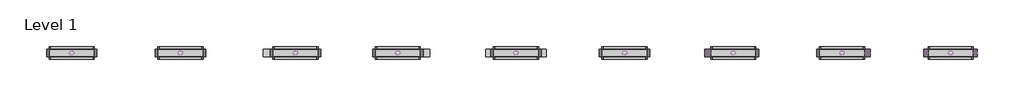
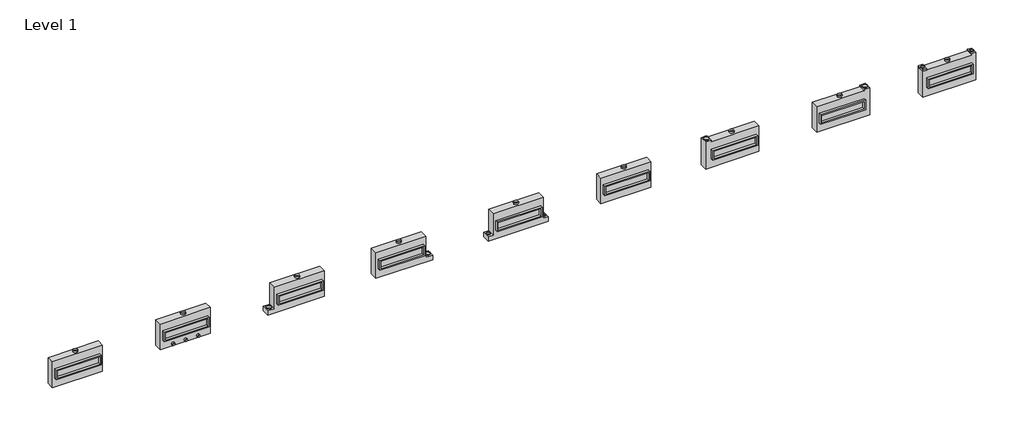
# One storey: 35 proxies.
"""IFC4 building model written with IfcOpenShell, lengths in millimetres."""

import ifcopenshell
import ifcopenshell.guid

model = None  # the IFC model being written
_history = None  # IfcOwnerHistory: only IFC2X3 demands one
_inside = {}  # id of a spatial element -> (the spatial element, [elements in it])
_under = {}  # id of a project, library or spatial element -> (it, [spatial elements below it])
_declared = {}  # id of a project -> (the project, [libraries it declares])
_typed = {}  # id of a type object -> (the type object, [elements of that type])
_made_of = {}  # id of a material, layer set ... -> (it, [elements and type objects made of it])


def new_model(schema):
    """Start an empty IFC model of exactly this schema.

    Asked for "IFC4X3", IfcOpenShell would pick the latest addendum, in which some entities
    have other attributes; the version numbers below select the first issue.
    IFC2X3 requires an IfcOwnerHistory on every rooted entity: one is made here for all.
    """
    global model, _history
    if schema == "IFC4X3":
        model = ifcopenshell.file(schema_version=(4, 3, 0, 0))
    else:
        model = ifcopenshell.file(schema=schema)
    _inside.clear()
    _under.clear()
    _declared.clear()
    _typed.clear()
    _made_of.clear()
    _history = None
    if model.schema == "IFC2X3":
        org = make("IfcOrganization", Name="unknown")
        user = make(
            "IfcPersonAndOrganization",
            ThePerson=make("IfcPerson", FamilyName="unknown"),
            TheOrganization=org,
        )
        app = make(
            "IfcApplication",
            ApplicationDeveloper=org,
            Version="unknown",
            ApplicationFullName="unknown",
            ApplicationIdentifier="unknown",
        )
        _history = make(
            "IfcOwnerHistory",
            OwningUser=user,
            OwningApplication=app,
            ChangeAction="ADDED",
            CreationDate=0,
        )
    return model


def make(cls, **values):
    """One entity of the class cls with the attributes given. An attribute that is None is left unset."""
    return model.create_entity(
        cls, **{name: value for name, value in values.items() if value is not None}
    )


def rooted(cls, **values):
    """An entity with a GlobalId (a new one), such as an element, a storey or a relation."""
    return make(cls, GlobalId=ifcopenshell.guid.new(), OwnerHistory=_history, **values)


def si_unit(unit_type, name, prefix=None):
    """IfcSIUnit, for example si_unit("LENGTHUNIT", "METRE", prefix="MILLI")."""
    return make("IfcSIUnit", UnitType=unit_type, Prefix=prefix, Name=name)


def assignment(units):
    """IfcUnitAssignment: the units of a project."""
    return None if units is None else make("IfcUnitAssignment", Units=units)


def point(xyz):
    """IfcCartesianPoint."""
    return None if xyz is None else make("IfcCartesianPoint", Coordinates=xyz)


def direction(xyz):
    """IfcDirection."""
    return None if xyz is None else make("IfcDirection", DirectionRatios=xyz)


def frame(location, z_axis=None, x_axis=None):
    """IfcAxis2Placement3D, a coordinate frame: its origin and axes. An axis left out is left unset."""
    return make(
        "IfcAxis2Placement3D",
        Location=point(location),
        Axis=direction(z_axis),
        RefDirection=direction(x_axis),
    )


def frame_2d(location, x_axis=None):
    """IfcAxis2Placement2D, a coordinate frame in the plane: its origin and x axis."""
    return make(
        "IfcAxis2Placement2D", Location=point(location), RefDirection=direction(x_axis)
    )


def origin():
    """The frame at (0, 0, 0) with its axes left unset."""
    return frame((0.0, 0.0, 0.0))


def origin_with_axes():
    """The frame at (0, 0, 0) with the z axis (0, 0, 1) and the x axis (1, 0, 0) written out."""
    return frame((0.0, 0.0, 0.0), z_axis=(0.0, 0.0, 1.0), x_axis=(1.0, 0.0, 0.0))


def origin_2d():
    """The frame at (0, 0) in the plane with its x axis left unset."""
    return frame_2d((0.0, 0.0))


def place(relative_to, where):
    """IfcLocalPlacement: puts the frame where relative to a parent placement (None: the world)."""
    return make(
        "IfcLocalPlacement", PlacementRelTo=relative_to, RelativePlacement=where
    )


def context(
    kind, dimensions, precision=None, world=None, true_north=None, identifier=None
):
    """IfcGeometricRepresentationContext, for example the 3D "Model" context."""
    return make(
        "IfcGeometricRepresentationContext",
        ContextIdentifier=identifier,
        ContextType=kind,
        CoordinateSpaceDimension=dimensions,
        Precision=precision,
        WorldCoordinateSystem=world,
        TrueNorth=true_north,
    )


def project(units=None, contexts=None):
    """IfcProject with its units and contexts."""
    return rooted(
        "IfcProject",
        Name="project",
        RepresentationContexts=contexts,
        UnitsInContext=assignment(units),
    )


def spatial(cls, under=None, at=None, **own):
    """A site, building, storey or space (cls), placed at a placement, below another one or the project."""
    s = rooted(cls, ObjectPlacement=at, **own)
    if under is not None:
        _under.setdefault(under.id(), (under, []))[1].append(s)
    return s


def polyline(points):
    """IfcPolyline through the points."""
    return make("IfcPolyline", Points=[point(p) for p in points])


def circle_curve(where, radius):
    """IfcCircle in the frame where."""
    return make("IfcCircle", Position=where, Radius=radius)


def trimmed(basis, trim1, trim2, sense, master):
    """IfcTrimmedCurve: the piece of a basis curve between two trims."""
    return make(
        "IfcTrimmedCurve",
        BasisCurve=basis,
        Trim1=trim1,
        Trim2=trim2,
        SenseAgreement=sense,
        MasterRepresentation=master,
    )


def segment(curve, same_sense, transition):
    """IfcCompositeCurveSegment."""
    return make(
        "IfcCompositeCurveSegment",
        Transition=transition,
        SameSense=same_sense,
        ParentCurve=curve,
    )


def composite_curve(segments, self_intersect=None):
    """IfcCompositeCurve: segments joined end to end."""
    return make("IfcCompositeCurve", Segments=segments, SelfIntersect=self_intersect)


def outline(outer, holes=None, kind="AREA"):
    """IfcArbitraryClosedProfileDef: a profile drawn as a closed curve; with holes, ...WithVoids."""
    if holes is None:
        return make("IfcArbitraryClosedProfileDef", ProfileType=kind, OuterCurve=outer)
    return make(
        "IfcArbitraryProfileDefWithVoids",
        ProfileType=kind,
        OuterCurve=outer,
        InnerCurves=holes,
    )


def extrude(swept, where, along, depth):
    """IfcExtrudedAreaSolid: the profile swept, set in the frame where, extruded along a direction by depth."""
    return make(
        "IfcExtrudedAreaSolid",
        SweptArea=swept,
        Position=where,
        ExtrudedDirection=direction(along),
        Depth=depth,
    )


def shape(context_of_items, identifier, shape_type, items):
    """IfcShapeRepresentation: the items that make up one representation, for example the "Body"."""
    return make(
        "IfcShapeRepresentation",
        ContextOfItems=context_of_items,
        RepresentationIdentifier=identifier,
        RepresentationType=shape_type,
        Items=items,
    )


def source(mapping_origin, context_of_items, identifier, shape_type, items):
    """IfcRepresentationMap: a shape defined once, which mapped items show again and again."""
    return make(
        "IfcRepresentationMap",
        MappingOrigin=mapping_origin,
        MappedRepresentation=shape(context_of_items, identifier, shape_type, items),
    )


def transform(
    local_origin,
    x_axis=None,
    y_axis=None,
    z_axis=None,
    scale=None,
    scale2=None,
    scale3=None,
    uniform=True,
):
    """IfcCartesianTransformationOperator3D, or its non-uniform kind. x_axis, y_axis, z_axis: its Axis1, 2, 3."""
    if uniform:
        return make(
            "IfcCartesianTransformationOperator3D",
            Axis1=direction(x_axis),
            Axis2=direction(y_axis),
            LocalOrigin=point(local_origin),
            Scale=scale,
            Axis3=direction(z_axis),
        )
    return make(
        "IfcCartesianTransformationOperator3DnonUniform",
        Axis1=direction(x_axis),
        Axis2=direction(y_axis),
        LocalOrigin=point(local_origin),
        Scale=scale,
        Axis3=direction(z_axis),
        Scale2=scale2,
        Scale3=scale3,
    )


def mapped(mapping_source, mapping_target):
    """IfcMappedItem: shows the shape of a source again, moved by a transform."""
    return make(
        "IfcMappedItem", MappingSource=mapping_source, MappingTarget=mapping_target
    )


def made_of(thing, what):
    """Note that an element or type object is made of a material, layer set ...; save() writes the relation."""
    if what is not None:
        _made_of.setdefault(what.id(), (what, []))[1].append(thing)
    return thing


def element(
    cls,
    number,
    at=None,
    inside=None,
    cuts=None,
    type_object=None,
    material=None,
    context=None,
    identifier="Body",
    shape_type=None,
    held_by="IfcProductDefinitionShape",
    body=None,
    shapes=None,
    **own,
):
    """One element of the class cls, such as IfcWall. Its Tag is "e" and its number.

    at: its placement. inside: the storey or other place that contains it. cuts: it is an
    opening in that element (IfcRelVoidsElement). A single representation is given by context,
    identifier, shape_type and body (its items); several are given by shapes. held_by: the class
    of the entity that holds the representations. save() writes the other relations.
    """
    e = rooted(cls, Tag="e%d" % number, ObjectPlacement=at, **own)
    if body is not None:
        shapes = [shape(context, identifier, shape_type, body)]
    if shapes is not None:
        e.Representation = make(held_by, Representations=shapes)
    if inside is not None:
        _inside.setdefault(inside.id(), (inside, []))[1].append(e)
    if cuts is not None:
        rooted(
            "IfcRelVoidsElement", RelatingBuildingElement=cuts, RelatedOpeningElement=e
        )
    if type_object is not None:
        _typed.setdefault(type_object.id(), (type_object, []))[1].append(e)
    return made_of(e, material)


def aggregate(whole, parts):
    """IfcRelAggregates: a whole, such as a stair, and the parts it consists of."""
    return rooted("IfcRelAggregates", RelatingObject=whole, RelatedObjects=parts)


def save(model, path):
    """Write the relations noted so far, then the file.

    IfcRelAggregates (storeys below a building ...), IfcRelContainedInSpatialStructure (elements
    in a storey), IfcRelDefinesByType, IfcRelAssociatesMaterial and IfcRelDeclares: one each for
    every whole, place, type object, material and project.
    """
    for whole, parts in _under.values():
        aggregate(whole, parts)
    for where, things in _inside.values():
        rooted(
            "IfcRelContainedInSpatialStructure",
            RelatedElements=things,
            RelatingStructure=where,
        )
    for kind, things in _typed.values():
        rooted("IfcRelDefinesByType", RelatedObjects=things, RelatingType=kind)
    for what, things in _made_of.values():
        rooted("IfcRelAssociatesMaterial", RelatedObjects=things, RelatingMaterial=what)
    for by, libraries in _declared.values():
        rooted("IfcRelDeclares", RelatingContext=by, RelatedDefinitions=libraries)
    model.write(path)


def as_specified_41d9d4aa(model_context):
    return source(origin(), model_context, "Body", "SweptSolid", [
        extrude(outline(polyline([(1460.5, 361.95), (1460.5, -298.45), (-1460.5, -298.45), (-1460.5, 361.95), (1460.5, 361.95)]), holes=[polyline([(1371.6, 285.75), (-1371.6, 285.75), (-1371.6, -222.25), (1371.6, -222.25), (1371.6, 285.75)])]), frame((0.0, 0.0, -688.975), z_axis=(0.0, 0.0, 1.0), x_axis=(1.0, 0.0, 0.0)), (0.0, 0.0, 1.0), 165.1),
        extrude(outline(polyline([(1460.5, 361.95), (1460.5, -298.45), (-1460.5, -298.45), (-1460.5, 361.95), (1460.5, 361.95)]), holes=[polyline([(1371.6, 285.75), (-1371.6, 285.75), (-1371.6, -222.25), (1371.6, -222.25), (1371.6, 285.75)])]), frame((0.0, 0.0, -25.4), z_axis=(0.0, 0.0, 1.0), x_axis=(1.0, 0.0, 0.0)), (0.0, 0.0, 1.0), 165.1),
        extrude(outline(polyline([(1371.6, 285.75), (1371.6, -222.25), (-1371.6, -222.25), (-1371.6, 285.75), (1371.6, 285.75)])), frame((0.0, 0.0, -523.875), z_axis=(0.0, 0.0, 1.0), x_axis=(1.0, 0.0, 0.0)), (0.0, 0.0, 1.0), 4.9609375),
        extrude(outline(polyline([(1371.6, 285.75), (1371.6, -222.25), (-1371.6, -222.25), (-1371.6, 285.75), (1371.6, 285.75)])), frame((0.0, 0.0, -30.3609375), z_axis=(0.0, 0.0, 1.0), x_axis=(1.0, 0.0, 0.0)), (0.0, 0.0, 1.0), 4.9609375),
        extrude(outline(polyline([(1828.8, -882.65), (-1625.6, -882.65), (-1625.6, 882.65), (1460.5, 882.65), (1460.5, 984.25), (1828.8, 984.25), (1828.8, -882.65)]), holes=[polyline([(-1460.5, 361.95), (-1460.5, -298.45), (1460.5, -298.45), (1460.5, 361.95), (-1460.5, 361.95)])]), frame((0.0, 0.0, -523.875), z_axis=(0.0, 0.0, 1.0), x_axis=(1.0, 0.0, 0.0)), (0.0, 0.0, 1.0), 498.475),
    ])


def as_specified_6b55ff41(model_context):
    return source(origin(), model_context, "Body", "SweptSolid", [
        extrude(outline(polyline([(1460.5, 361.95), (1460.5, -298.45), (-1460.5, -298.45), (-1460.5, 361.95), (1460.5, 361.95)]), holes=[polyline([(1371.6, 285.75), (-1371.6, 285.75), (-1371.6, -222.25), (1371.6, -222.25), (1371.6, 285.75)])]), frame((0.0, 0.0, -688.975), z_axis=(0.0, 0.0, 1.0), x_axis=(1.0, 0.0, 0.0)), (0.0, 0.0, 1.0), 165.1),
        extrude(outline(polyline([(1460.5, 361.95), (1460.5, -298.45), (-1460.5, -298.45), (-1460.5, 361.95), (1460.5, 361.95)]), holes=[polyline([(1371.6, 285.75), (-1371.6, 285.75), (-1371.6, -222.25), (1371.6, -222.25), (1371.6, 285.75)])]), frame((0.0, 0.0, -25.4), z_axis=(0.0, 0.0, 1.0), x_axis=(1.0, 0.0, 0.0)), (0.0, 0.0, 1.0), 165.1),
        extrude(outline(polyline([(-1460.5, 882.65), (-1727.2, 882.65), (-1727.2, 984.25), (-1460.5, 984.25), (-1460.5, 882.65)])), frame((0.0, 0.0, -523.875), z_axis=(0.0, 0.0, 1.0), x_axis=(1.0, 0.0, 0.0)), (0.0, 0.0, 1.0), 498.475),
        extrude(outline(polyline([(1371.6, 285.75), (1371.6, -222.25), (-1371.6, -222.25), (-1371.6, 285.75), (1371.6, 285.75)])), frame((0.0, 0.0, -523.875), z_axis=(0.0, 0.0, 1.0), x_axis=(1.0, 0.0, 0.0)), (0.0, 0.0, 1.0), 4.9609375),
        extrude(outline(polyline([(1371.6, 285.75), (1371.6, -222.25), (-1371.6, -222.25), (-1371.6, 285.75), (1371.6, 285.75)])), frame((0.0, 0.0, -30.3609375), z_axis=(0.0, 0.0, 1.0), x_axis=(1.0, 0.0, 0.0)), (0.0, 0.0, 1.0), 4.9609375),
        extrude(outline(polyline([(1727.2, -882.65), (-1727.2, -882.65), (-1727.2, 882.65), (1460.5, 882.65), (1460.5, 984.25), (1727.2, 984.25), (1727.2, -882.65)]), holes=[polyline([(-1460.5, 361.95), (-1460.5, -298.45), (1460.5, -298.45), (1460.5, 361.95), (-1460.5, 361.95)])]), frame((0.0, 0.0, -523.875), z_axis=(0.0, 0.0, 1.0), x_axis=(1.0, 0.0, 0.0)), (0.0, 0.0, 1.0), 498.475),
    ])


def as_specified_ad98fb16(model_context):
    return source(origin(), model_context, "Body", "SweptSolid", [
        extrude(outline(polyline([(1460.5, 361.95), (1460.5, -298.45), (-1460.5, -298.45), (-1460.5, 361.95), (1460.5, 361.95)]), holes=[polyline([(1371.6, 285.75), (-1371.6, 285.75), (-1371.6, -222.25), (1371.6, -222.25), (1371.6, 285.75)])]), frame((0.0, 0.0, -688.975), z_axis=(0.0, 0.0, 1.0), x_axis=(1.0, 0.0, 0.0)), (0.0, 0.0, 1.0), 165.1),
        extrude(outline(polyline([(1460.5, 361.95), (1460.5, -298.45), (-1460.5, -298.45), (-1460.5, 361.95), (1460.5, 361.95)]), holes=[polyline([(1371.6, 285.75), (-1371.6, 285.75), (-1371.6, -222.25), (1371.6, -222.25), (1371.6, 285.75)])]), frame((0.0, 0.0, -25.4), z_axis=(0.0, 0.0, 1.0), x_axis=(1.0, 0.0, 0.0)), (0.0, 0.0, 1.0), 165.1),
        extrude(outline(polyline([(1371.6, 285.75), (1371.6, -222.25), (-1371.6, -222.25), (-1371.6, 285.75), (1371.6, 285.75)])), frame((0.0, 0.0, -523.875), z_axis=(0.0, 0.0, 1.0), x_axis=(1.0, 0.0, 0.0)), (0.0, 0.0, 1.0), 4.9609375),
        extrude(outline(polyline([(1371.6, 285.75), (1371.6, -222.25), (-1371.6, -222.25), (-1371.6, 285.75), (1371.6, 285.75)])), frame((0.0, 0.0, -30.3609375), z_axis=(0.0, 0.0, 1.0), x_axis=(1.0, 0.0, 0.0)), (0.0, 0.0, 1.0), 4.9609375),
        extrude(outline(polyline([(1625.6, -882.65), (-1625.6, -882.65), (-1625.6, 882.65), (1625.6, 882.65), (1625.6, -882.65)]), holes=[polyline([(-1460.5, 361.95), (-1460.5, -298.45), (1460.5, -298.45), (1460.5, 361.95), (-1460.5, 361.95)])]), frame((0.0, 0.0, -523.875), z_axis=(0.0, 0.0, 1.0), x_axis=(1.0, 0.0, 0.0)), (0.0, 0.0, 1.0), 498.475),
    ])


def as_specified_449a672e(model_context):
    return source(origin(), model_context, "Body", "SweptSolid", [
        extrude(outline(polyline([(1460.5, 361.95), (1460.5, -298.45), (-1460.5, -298.45), (-1460.5, 361.95), (1460.5, 361.95)]), holes=[polyline([(1371.6, 285.75), (-1371.6, 285.75), (-1371.6, -222.25), (1371.6, -222.25), (1371.6, 285.75)])]), frame((0.0, 0.0, -688.975), z_axis=(0.0, 0.0, 1.0), x_axis=(1.0, 0.0, 0.0)), (0.0, 0.0, 1.0), 165.1),
        extrude(outline(polyline([(1460.5, 361.95), (1460.5, -298.45), (-1460.5, -298.45), (-1460.5, 361.95), (1460.5, 361.95)]), holes=[polyline([(1371.6, 285.75), (-1371.6, 285.75), (-1371.6, -222.25), (1371.6, -222.25), (1371.6, 285.75)])]), frame((0.0, 0.0, -25.4), z_axis=(0.0, 0.0, 1.0), x_axis=(1.0, 0.0, 0.0)), (0.0, 0.0, 1.0), 165.1),
        extrude(outline(polyline([(1371.6, 285.75), (1371.6, -222.25), (-1371.6, -222.25), (-1371.6, 285.75), (1371.6, 285.75)])), frame((0.0, 0.0, -523.875), z_axis=(0.0, 0.0, 1.0), x_axis=(1.0, 0.0, 0.0)), (0.0, 0.0, 1.0), 4.9609375),
        extrude(outline(polyline([(1371.6, 285.75), (1371.6, -222.25), (-1371.6, -222.25), (-1371.6, 285.75), (1371.6, 285.75)])), frame((0.0, 0.0, -30.3609375), z_axis=(0.0, 0.0, 1.0), x_axis=(1.0, 0.0, 0.0)), (0.0, 0.0, 1.0), 4.9609375),
        extrude(outline(polyline([(-1625.6, 882.65), (1625.6, 882.65), (1625.6, -882.65), (-2057.4, -882.65), (-2057.4, -577.85), (-1625.6, -577.85), (-1625.6, 882.65)]), holes=[polyline([(-1460.5, 361.95), (-1460.5, -298.45), (1460.5, -298.45), (1460.5, 361.95), (-1460.5, 361.95)])]), frame((0.0, 0.0, -523.875), z_axis=(0.0, 0.0, 1.0), x_axis=(1.0, 0.0, 0.0)), (0.0, 0.0, 1.0), 498.475),
    ])


def as_specified_88b40d69(model_context):
    return source(origin(), model_context, "Body", "SweptSolid", [
        extrude(outline(polyline([(1460.5, 361.95), (1460.5, -298.45), (-1460.5, -298.45), (-1460.5, 361.95), (1460.5, 361.95)]), holes=[polyline([(1371.6, 285.75), (-1371.6, 285.75), (-1371.6, -222.25), (1371.6, -222.25), (1371.6, 285.75)])]), frame((0.0, 0.0, -688.975), z_axis=(0.0, 0.0, 1.0), x_axis=(1.0, 0.0, 0.0)), (0.0, 0.0, 1.0), 165.1),
        extrude(outline(polyline([(1460.5, 361.95), (1460.5, -298.45), (-1460.5, -298.45), (-1460.5, 361.95), (1460.5, 361.95)]), holes=[polyline([(1371.6, 285.75), (-1371.6, 285.75), (-1371.6, -222.25), (1371.6, -222.25), (1371.6, 285.75)])]), frame((0.0, 0.0, -25.4), z_axis=(0.0, 0.0, 1.0), x_axis=(1.0, 0.0, 0.0)), (0.0, 0.0, 1.0), 165.1),
        extrude(outline(polyline([(1371.6, 285.75), (1371.6, -222.25), (-1371.6, -222.25), (-1371.6, 285.75), (1371.6, 285.75)])), frame((0.0, 0.0, -523.875), z_axis=(0.0, 0.0, 1.0), x_axis=(1.0, 0.0, 0.0)), (0.0, 0.0, 1.0), 4.9609375),
        extrude(outline(polyline([(1371.6, 285.75), (1371.6, -222.25), (-1371.6, -222.25), (-1371.6, 285.75), (1371.6, 285.75)])), frame((0.0, 0.0, -30.3609375), z_axis=(0.0, 0.0, 1.0), x_axis=(1.0, 0.0, 0.0)), (0.0, 0.0, 1.0), 4.9609375),
        extrude(outline(polyline([(1625.6, -882.65), (-1828.8, -882.65), (-1828.8, 984.25), (-1460.5, 984.25), (-1460.5, 882.65), (1625.6, 882.65), (1625.6, -882.65)]), holes=[polyline([(-1460.5, 361.95), (-1460.5, -298.45), (1460.5, -298.45), (1460.5, 361.95), (-1460.5, 361.95)])]), frame((0.0, 0.0, -523.875), z_axis=(0.0, 0.0, 1.0), x_axis=(1.0, 0.0, 0.0)), (0.0, 0.0, 1.0), 498.475),
    ])


def as_specified_60825de3(model_context):
    return source(origin(), model_context, "Body", "SweptSolid", [
        extrude(outline(polyline([(1460.5, 361.95), (1460.5, -298.45), (-1460.5, -298.45), (-1460.5, 361.95), (1460.5, 361.95)]), holes=[polyline([(1371.6, 285.75), (-1371.6, 285.75), (-1371.6, -222.25), (1371.6, -222.25), (1371.6, 285.75)])]), frame((0.0, 0.0, -688.975), z_axis=(0.0, 0.0, 1.0), x_axis=(1.0, 0.0, 0.0)), (0.0, 0.0, 1.0), 165.1),
        extrude(outline(polyline([(1460.5, 361.95), (1460.5, -298.45), (-1460.5, -298.45), (-1460.5, 361.95), (1460.5, 361.95)]), holes=[polyline([(1371.6, 285.75), (-1371.6, 285.75), (-1371.6, -222.25), (1371.6, -222.25), (1371.6, 285.75)])]), frame((0.0, 0.0, -25.4), z_axis=(0.0, 0.0, 1.0), x_axis=(1.0, 0.0, 0.0)), (0.0, 0.0, 1.0), 165.1),
        extrude(outline(polyline([(1371.6, 285.75), (1371.6, -222.25), (-1371.6, -222.25), (-1371.6, 285.75), (1371.6, 285.75)])), frame((0.0, 0.0, -523.875), z_axis=(0.0, 0.0, 1.0), x_axis=(1.0, 0.0, 0.0)), (0.0, 0.0, 1.0), 4.9609375),
        extrude(outline(polyline([(1371.6, 285.75), (1371.6, -222.25), (-1371.6, -222.25), (-1371.6, 285.75), (1371.6, 285.75)])), frame((0.0, 0.0, -30.3609375), z_axis=(0.0, 0.0, 1.0), x_axis=(1.0, 0.0, 0.0)), (0.0, 0.0, 1.0), 4.9609375),
        extrude(outline(polyline([(-1625.6, 882.65), (1625.6, 882.65), (1625.6, -577.85), (1955.8, -577.85), (1955.8, -882.65), (-1955.8, -882.65), (-1955.8, -577.85), (-1625.6, -577.85), (-1625.6, 882.65)]), holes=[polyline([(-1460.5, 361.95), (-1460.5, -298.45), (1460.5, -298.45), (1460.5, 361.95), (-1460.5, 361.95)])]), frame((0.0, 0.0, -523.875), z_axis=(0.0, 0.0, 1.0), x_axis=(1.0, 0.0, 0.0)), (0.0, 0.0, 1.0), 498.475),
    ])


def as_specified_f8fd9514(model_context):
    return source(origin(), model_context, "Body", "SweptSolid", [
        extrude(outline(polyline([(1460.5, 361.95), (1460.5, -298.45), (-1460.5, -298.45), (-1460.5, 361.95), (1460.5, 361.95)]), holes=[polyline([(1371.6, 285.75), (-1371.6, 285.75), (-1371.6, -222.25), (1371.6, -222.25), (1371.6, 285.75)])]), frame((0.0, 0.0, -688.975), z_axis=(0.0, 0.0, 1.0), x_axis=(1.0, 0.0, 0.0)), (0.0, 0.0, 1.0), 165.1),
        extrude(outline(polyline([(1460.5, 361.95), (1460.5, -298.45), (-1460.5, -298.45), (-1460.5, 361.95), (1460.5, 361.95)]), holes=[polyline([(1371.6, 285.75), (-1371.6, 285.75), (-1371.6, -222.25), (1371.6, -222.25), (1371.6, 285.75)])]), frame((0.0, 0.0, -25.4), z_axis=(0.0, 0.0, 1.0), x_axis=(1.0, 0.0, 0.0)), (0.0, 0.0, 1.0), 165.1),
        extrude(outline(polyline([(1371.6, 285.75), (1371.6, -222.25), (-1371.6, -222.25), (-1371.6, 285.75), (1371.6, 285.75)])), frame((0.0, 0.0, -523.875), z_axis=(0.0, 0.0, 1.0), x_axis=(1.0, 0.0, 0.0)), (0.0, 0.0, 1.0), 4.9609375),
        extrude(outline(polyline([(1371.6, 285.75), (1371.6, -222.25), (-1371.6, -222.25), (-1371.6, 285.75), (1371.6, 285.75)])), frame((0.0, 0.0, -30.3609375), z_axis=(0.0, 0.0, 1.0), x_axis=(1.0, 0.0, 0.0)), (0.0, 0.0, 1.0), 4.9609375),
        extrude(outline(polyline([(-1625.6, 882.65), (1625.6, 882.65), (1625.6, -577.85), (2057.4, -577.85), (2057.4, -882.65), (-1625.6, -882.65), (-1625.6, 882.65)]), holes=[polyline([(-1460.5, 361.95), (-1460.5, -298.45), (1460.5, -298.45), (1460.5, 361.95), (-1460.5, 361.95)])]), frame((0.0, 0.0, -523.875), z_axis=(0.0, 0.0, 1.0), x_axis=(1.0, 0.0, 0.0)), (0.0, 0.0, 1.0), 498.475),
    ])


def proxy_814ff0a6(model_context):
    return source(origin(), model_context, "Body", "SweptSolid", [
        extrude(outline(composite_curve([segment(trimmed(circle_curve(origin_2d(), 149.225), [point((-149.225, 0.0))], [point((149.225, 0.0))], False, "CARTESIAN"), True, "CONTINUOUS"), segment(trimmed(circle_curve(origin_2d(), 149.225), [point((149.225, 0.0))], [point((-149.225, 0.0))], False, "CARTESIAN"), True, "CONTINUOUS")], self_intersect=False), holes=[composite_curve([segment(trimmed(circle_curve(origin_2d(), 147.6375), [point((-147.6375, 0.0))], [point((147.6375, 0.0))], True, "CARTESIAN"), True, "CONTINUOUS"), segment(trimmed(circle_curve(origin_2d(), 147.6375), [point((147.6375, 0.0))], [point((-147.6375, 0.0))], True, "CARTESIAN"), True, "CONTINUOUS")], self_intersect=False)]), origin_with_axes(), (0.0, 0.0, 1.0), 101.6),
    ])


def proxy_199e9adc(model_context):
    return source(origin(), model_context, "Body", "SweptSolid", [
        extrude(outline(composite_curve([segment(trimmed(circle_curve(origin_2d(), 176.2125), [point((-176.2125, 0.0))], [point((176.2125, 0.0))], False, "CARTESIAN"), True, "CONTINUOUS"), segment(trimmed(circle_curve(origin_2d(), 176.2125), [point((176.2125, 0.0))], [point((-176.2125, 0.0))], False, "CARTESIAN"), True, "CONTINUOUS")], self_intersect=False), holes=[composite_curve([segment(trimmed(circle_curve(origin_2d(), 174.625), [point((-174.625, 0.0))], [point((174.625, 0.0))], True, "CARTESIAN"), True, "CONTINUOUS"), segment(trimmed(circle_curve(origin_2d(), 174.625), [point((174.625, 0.0))], [point((-174.625, 0.0))], True, "CARTESIAN"), True, "CONTINUOUS")], self_intersect=False)]), origin_with_axes(), (0.0, 0.0, 1.0), 50.8),
    ])


def proxy_5643af6b(model_context):
    return source(origin(), model_context, "Body", "SweptSolid", [
        extrude(outline(composite_curve([segment(trimmed(circle_curve(origin_2d(), 100.0125), [point((-100.0125, 0.0))], [point((100.0125, 0.0))], False, "CARTESIAN"), True, "CONTINUOUS"), segment(trimmed(circle_curve(origin_2d(), 100.0125), [point((100.0125, 0.0))], [point((-100.0125, 0.0))], False, "CARTESIAN"), True, "CONTINUOUS")], self_intersect=False), holes=[composite_curve([segment(trimmed(circle_curve(origin_2d(), 98.425), [point((-98.425, 0.0))], [point((98.425, 0.0))], True, "CARTESIAN"), True, "CONTINUOUS"), segment(trimmed(circle_curve(origin_2d(), 98.425), [point((98.425, 0.0))], [point((-98.425, 0.0))], True, "CARTESIAN"), True, "CONTINUOUS")], self_intersect=False)]), origin_with_axes(), (0.0, 0.0, 1.0), 101.6),
    ])


def proxy_c1ba4f62(model_context):
    return source(origin(), model_context, "Body", "SweptSolid", [
        extrude(outline(composite_curve([segment(trimmed(circle_curve(origin_2d(), 103.1875), [point((-103.1875, 0.0))], [point((103.1875, 0.0))], False, "CARTESIAN"), True, "CONTINUOUS"), segment(trimmed(circle_curve(origin_2d(), 103.1875), [point((103.1875, 0.0))], [point((-103.1875, 0.0))], False, "CARTESIAN"), True, "CONTINUOUS")], self_intersect=False), holes=[composite_curve([segment(trimmed(circle_curve(origin_2d(), 101.6), [point((-101.6, 0.0))], [point((101.6, 0.0))], True, "CARTESIAN"), True, "CONTINUOUS"), segment(trimmed(circle_curve(origin_2d(), 101.6), [point((101.6, 0.0))], [point((-101.6, 0.0))], True, "CARTESIAN"), True, "CONTINUOUS")], self_intersect=False)]), origin_with_axes(), (0.0, 0.0, 1.0), 6.35),
    ])


def proxy_f04a25a4(model_context):
    return source(origin(), model_context, "Body", "SweptSolid", [
        extrude(outline(composite_curve([segment(trimmed(circle_curve(origin_2d(), 125.4125), [point((-125.4125, 0.0))], [point((125.4125, 0.0))], False, "CARTESIAN"), True, "CONTINUOUS"), segment(trimmed(circle_curve(origin_2d(), 125.4125), [point((125.4125, 0.0))], [point((-125.4125, 0.0))], False, "CARTESIAN"), True, "CONTINUOUS")], self_intersect=False), holes=[composite_curve([segment(trimmed(circle_curve(origin_2d(), 123.825), [point((-123.825, 0.0))], [point((123.825, 0.0))], True, "CARTESIAN"), True, "CONTINUOUS"), segment(trimmed(circle_curve(origin_2d(), 123.825), [point((123.825, 0.0))], [point((-123.825, 0.0))], True, "CARTESIAN"), True, "CONTINUOUS")], self_intersect=False)]), origin_with_axes(), (0.0, 0.0, 1.0), 50.8),
    ])


model = new_model("IFC4")

# Units and contexts
model_context = context("Model", 3, world=origin())
ifc_project = project(units=[si_unit("LENGTHUNIT", "METRE", prefix="MILLI")], contexts=[model_context])

# Site, building, storey
site = spatial("IfcSite", under=ifc_project)
building = spatial("IfcBuilding", under=site)
storey = spatial("IfcBuildingStorey", under=building, Name="Level 1", Elevation=0.0)

# Proxies
placement = place(None, origin())
as_specified_shape = as_specified_41d9d4aa(model_context)
element("IfcBuildingElementProxy", 1, Name="As Specified", ObjectType="As Specified", at=placement, inside=storey, context=model_context, shape_type="MappedRepresentation", body=[
    mapped(as_specified_shape, transform((35822.4574402, 1616.7712992, 1219.2), x_axis=(1.0, 0.0, 0.0), y_axis=(0.0, 0.0, 1.0), z_axis=(0.0, -1.0, 0.0))),
])
as_specified_2_shape = as_specified_6b55ff41(model_context)
element("IfcBuildingElementProxy", 2, Name="As Specified", ObjectType="As Specified", at=placement, inside=storey, context=model_context, shape_type="MappedRepresentation", body=[
    mapped(as_specified_2_shape, transform((42832.8574402, 1616.7712992, 1219.2), x_axis=(1.0, 0.0, 0.0), y_axis=(0.0, 0.0, 1.0), z_axis=(0.0, -1.0, 0.0))),
])
as_specified_3_shape = as_specified_ad98fb16(model_context)
element("IfcBuildingElementProxy", 3, Name="As Specified", ObjectType="As Specified", at=placement, inside=storey, context=model_context, shape_type="MappedRepresentation", body=[
    mapped(as_specified_3_shape, transform((-6849.5425598, 1616.7712992, 1219.2), x_axis=(1.0, 0.0, 0.0), y_axis=(0.0, 0.0, 1.0), z_axis=(0.0, -1.0, 0.0))),
])
element("IfcBuildingElementProxy", 4, Name="As Specified", ObjectType="As Specified", at=placement, inside=storey, context=model_context, shape_type="MappedRepresentation", body=[
    mapped(as_specified_3_shape, transform((21801.6574402, 1616.7712992, 1219.2), x_axis=(1.0, 0.0, 0.0), y_axis=(0.0, 0.0, 1.0), z_axis=(0.0, -1.0, 0.0))),
])
element("IfcBuildingElementProxy", 5, Name="As Specified", ObjectType="As Specified", at=placement, inside=storey, context=model_context, shape_type="MappedRepresentation", body=[
    mapped(as_specified_3_shape, transform((-13859.9425598, 1616.7712992, 1066.8), x_axis=(1.0, 0.0, 0.0), y_axis=(0.0, 0.0, 1.0), z_axis=(0.0, -1.0, 0.0))),
])
as_specified_4_shape = as_specified_449a672e(model_context)
element("IfcBuildingElementProxy", 6, Name="As Specified", ObjectType="As Specified", at=placement, inside=storey, context=model_context, shape_type="MappedRepresentation", body=[
    mapped(as_specified_4_shape, transform((565.6597121, 1616.7712992, 1144.6311604), x_axis=(1.0, 0.0, 0.0), y_axis=(0.0, 0.0, 1.0), z_axis=(0.0, -1.0, 0.0))),
])
as_specified_5_shape = as_specified_88b40d69(model_context)
element("IfcBuildingElementProxy", 7, Name="As Specified", ObjectType="As Specified", at=placement, inside=storey, context=model_context, shape_type="MappedRepresentation", body=[
    mapped(as_specified_5_shape, transform((28812.0574402, 1616.7712992, 1219.2), x_axis=(1.0, 0.0, 0.0), y_axis=(0.0, 0.0, 1.0), z_axis=(0.0, -1.0, 0.0))),
])
as_specified_6_shape = as_specified_60825de3(model_context)
element("IfcBuildingElementProxy", 8, Name="As Specified", ObjectType="As Specified", at=placement, inside=storey, context=model_context, shape_type="MappedRepresentation", body=[
    mapped(as_specified_6_shape, transform((14791.2574402, 1616.7712992, 1219.2), x_axis=(1.0, 0.0, 0.0), y_axis=(0.0, 0.0, 1.0), z_axis=(0.0, -1.0, 0.0))),
])
as_specified_7_shape = as_specified_f8fd9514(model_context)
element("IfcBuildingElementProxy", 9, Name="As Specified", ObjectType="As Specified", at=placement, inside=storey, context=model_context, shape_type="MappedRepresentation", body=[
    mapped(as_specified_7_shape, transform((7171.2574402, 1616.7712992, 1219.2), x_axis=(1.0, 0.0, 0.0), y_axis=(0.0, 0.0, 1.0), z_axis=(0.0, -1.0, 0.0))),
])
proxy_shape = proxy_814ff0a6(model_context)
element("IfcBuildingElementProxy", 10, Name="Duct Dia : 11 3/4\" Dia", ObjectType="Duct Dia : 11 3/4\" Dia", at=placement, inside=storey, context=model_context, shape_type="MappedRepresentation", body=[
    mapped(proxy_shape, transform((-13859.9425598, 1891.4087992, 1949.45), x_axis=(1.0, 0.0, 0.0), y_axis=(0.0, 1.0, 0.0), z_axis=(0.0, 0.0, 1.0))),
])
element("IfcBuildingElementProxy", 11, Name="Duct Dia : 11 3/4\" Dia", ObjectType="Duct Dia : 11 3/4\" Dia", at=placement, inside=storey, context=model_context, shape_type="MappedRepresentation", body=[
    mapped(proxy_shape, transform((-6849.5425598, 1891.4087992, 2101.85), x_axis=(1.0, 0.0, 0.0), y_axis=(0.0, 1.0, 0.0), z_axis=(0.0, 0.0, 1.0))),
])
element("IfcBuildingElementProxy", 12, Name="Duct Dia : 11 3/4\" Dia", ObjectType="Duct Dia : 11 3/4\" Dia", at=placement, inside=storey, context=model_context, shape_type="MappedRepresentation", body=[
    mapped(proxy_shape, transform((565.6597121, 1891.4087992, 2027.2811604), x_axis=(1.0, 0.0, 0.0), y_axis=(0.0, 1.0, 0.0), z_axis=(0.0, 0.0, 1.0))),
])
element("IfcBuildingElementProxy", 13, Name="Duct Dia : 11 3/4\" Dia", ObjectType="Duct Dia : 11 3/4\" Dia", at=placement, inside=storey, context=model_context, shape_type="MappedRepresentation", body=[
    mapped(proxy_shape, transform((7171.2574402, 1891.4087992, 2101.85), x_axis=(1.0, 0.0, 0.0), y_axis=(0.0, 1.0, 0.0), z_axis=(0.0, 0.0, 1.0))),
])
element("IfcBuildingElementProxy", 14, Name="Duct Dia : 11 3/4\" Dia", ObjectType="Duct Dia : 11 3/4\" Dia", at=placement, inside=storey, context=model_context, shape_type="MappedRepresentation", body=[
    mapped(proxy_shape, transform((14791.2574402, 1891.4087992, 2101.85), x_axis=(1.0, 0.0, 0.0), y_axis=(0.0, 1.0, 0.0), z_axis=(0.0, 0.0, 1.0))),
])
element("IfcBuildingElementProxy", 15, Name="Duct Dia : 11 3/4\" Dia", ObjectType="Duct Dia : 11 3/4\" Dia", at=placement, inside=storey, context=model_context, shape_type="MappedRepresentation", body=[
    mapped(proxy_shape, transform((21801.6574402, 1891.4087992, 2101.85), x_axis=(1.0, 0.0, 0.0), y_axis=(0.0, 1.0, 0.0), z_axis=(0.0, 0.0, 1.0))),
])
element("IfcBuildingElementProxy", 16, Name="Duct Dia : 11 3/4\" Dia", ObjectType="Duct Dia : 11 3/4\" Dia", at=placement, inside=storey, context=model_context, shape_type="MappedRepresentation", body=[
    mapped(proxy_shape, transform((28812.0574402, 1891.4087992, 2101.85), x_axis=(1.0, 0.0, 0.0), y_axis=(0.0, 1.0, 0.0), z_axis=(0.0, 0.0, 1.0))),
])
element("IfcBuildingElementProxy", 17, Name="Duct Dia : 11 3/4\" Dia", ObjectType="Duct Dia : 11 3/4\" Dia", at=placement, inside=storey, context=model_context, shape_type="MappedRepresentation", body=[
    mapped(proxy_shape, transform((35822.4574402, 1891.4087992, 2101.85), x_axis=(1.0, 0.0, 0.0), y_axis=(0.0, 1.0, 0.0), z_axis=(0.0, 0.0, 1.0))),
])
element("IfcBuildingElementProxy", 18, Name="Duct Dia : 11 3/4\" Dia", ObjectType="Duct Dia : 11 3/4\" Dia", at=placement, inside=storey, context=model_context, shape_type="MappedRepresentation", body=[
    mapped(proxy_shape, transform((42832.8574402, 1891.4087992, 2101.85), x_axis=(1.0, 0.0, 0.0), y_axis=(0.0, 1.0, 0.0), z_axis=(0.0, 0.0, 1.0))),
])
proxy_2_shape = proxy_199e9adc(model_context)
element("IfcBuildingElementProxy", 19, Name="Duct Dia : 13 7/8\" Dia.", ObjectType="Duct Dia : 13 7/8\" Dia.", at=placement, inside=storey, context=model_context, shape_type="MappedRepresentation", body=[
    mapped(proxy_2_shape, transform((-1275.8402879, 1891.4087992, 566.7811604), x_axis=(1.0, 0.0, 0.0), y_axis=(0.0, 1.0, 0.0), z_axis=(0.0, 0.0, 1.0))),
])
element("IfcBuildingElementProxy", 20, Name="Duct Dia : 13 7/8\" Dia.", ObjectType="Duct Dia : 13 7/8\" Dia.", at=placement, inside=storey, context=model_context, shape_type="MappedRepresentation", body=[
    mapped(proxy_2_shape, transform((27167.4074402, 1891.4087992, 2203.45), x_axis=(1.0, 0.0, 0.0), y_axis=(0.0, 1.0, 0.0), z_axis=(0.0, 0.0, 1.0))),
])
element("IfcBuildingElementProxy", 21, Name="Duct Dia : 13 7/8\" Dia.", ObjectType="Duct Dia : 13 7/8\" Dia.", at=placement, inside=storey, context=model_context, shape_type="MappedRepresentation", body=[
    mapped(proxy_2_shape, transform((9038.1574402, 1891.4087992, 641.35), x_axis=(-1.0, 0.0, 0.0), y_axis=(0.0, -1.0, 0.0), z_axis=(0.0, 0.0, 1.0))),
])
element("IfcBuildingElementProxy", 22, Name="Duct Dia : 13 7/8\" Dia.", ObjectType="Duct Dia : 13 7/8\" Dia.", at=placement, inside=storey, context=model_context, shape_type="MappedRepresentation", body=[
    mapped(proxy_2_shape, transform((37467.1074402, 1891.4087992, 2203.45), x_axis=(-1.0, 0.0, 0.0), y_axis=(0.0, -1.0, 0.0), z_axis=(0.0, 0.0, 1.0))),
])
proxy_3_shape = proxy_5643af6b(model_context)
element("IfcBuildingElementProxy", 23, Name="Duct Dia : 7 7/8\" Dia", ObjectType="Duct Dia : 7 7/8\" Dia", at=placement, inside=storey, context=model_context, shape_type="MappedRepresentation", body=[
    mapped(proxy_3_shape, transform((-7662.3425598, 1642.1712992, 488.95), x_axis=(-1.0, 0.0, 0.0), y_axis=(0.0, 0.0, -1.0), z_axis=(0.0, -1.0, 0.0))),
])
element("IfcBuildingElementProxy", 24, Name="Duct Dia : 7 7/8\" Dia", ObjectType="Duct Dia : 7 7/8\" Dia", at=placement, inside=storey, context=model_context, shape_type="MappedRepresentation", body=[
    mapped(proxy_3_shape, transform((-6036.7425598, 1642.1712992, 488.95), x_axis=(-1.0, 0.0, 0.0), y_axis=(0.0, 0.0, -1.0), z_axis=(0.0, -1.0, 0.0))),
])
element("IfcBuildingElementProxy", 25, Name="Duct Dia : 7 7/8\" Dia", ObjectType="Duct Dia : 7 7/8\" Dia", at=placement, inside=storey, context=model_context, shape_type="MappedRepresentation", body=[
    mapped(proxy_3_shape, transform((-6849.5425598, 1642.1712992, 488.95), x_axis=(-1.0, 0.0, 0.0), y_axis=(0.0, 0.0, -1.0), z_axis=(0.0, -1.0, 0.0))),
])
element("IfcBuildingElementProxy", 26, Name="Duct Dia : 7 7/8\" Dia", ObjectType="Duct Dia : 7 7/8\" Dia", at=placement, inside=storey, context=model_context, shape_type="MappedRepresentation", body=[
    mapped(proxy_3_shape, transform((20988.8574402, 2140.6462992, 488.95), x_axis=(-1.0, 0.0, 0.0), y_axis=(0.0, 0.0, 1.0), z_axis=(0.0, 1.0, 0.0))),
])
element("IfcBuildingElementProxy", 27, Name="Duct Dia : 7 7/8\" Dia", ObjectType="Duct Dia : 7 7/8\" Dia", at=placement, inside=storey, context=model_context, shape_type="MappedRepresentation", body=[
    mapped(proxy_3_shape, transform((22614.4574402, 2140.6462992, 488.95), x_axis=(-1.0, 0.0, 0.0), y_axis=(0.0, 0.0, 1.0), z_axis=(0.0, 1.0, 0.0))),
])
element("IfcBuildingElementProxy", 28, Name="Duct Dia : 7 7/8\" Dia", ObjectType="Duct Dia : 7 7/8\" Dia", at=placement, inside=storey, context=model_context, shape_type="MappedRepresentation", body=[
    mapped(proxy_3_shape, transform((21801.6574402, 2140.6462992, 488.95), x_axis=(-1.0, 0.0, 0.0), y_axis=(0.0, 0.0, 1.0), z_axis=(0.0, 1.0, 0.0))),
])
proxy_4_shape = proxy_c1ba4f62(model_context)
element("IfcBuildingElementProxy", 29, Name="Duct Dia : 8 1/8\" Dia", ObjectType="Duct Dia : 8 1/8\" Dia", at=placement, inside=storey, context=model_context, shape_type="MappedRepresentation", body=[
    mapped(proxy_4_shape, transform((-14672.7425598, 1907.0853617, 184.15), x_axis=(1.0, 0.0, 0.0), y_axis=(0.0, -1.0, 0.0), z_axis=(0.0, 0.0, -1.0))),
])
element("IfcBuildingElementProxy", 30, Name="Duct Dia : 8 1/8\" Dia", ObjectType="Duct Dia : 8 1/8\" Dia", at=placement, inside=storey, context=model_context, shape_type="MappedRepresentation", body=[
    mapped(proxy_4_shape, transform((-13047.1425598, 1907.0853617, 184.15), x_axis=(1.0, 0.0, 0.0), y_axis=(0.0, -1.0, 0.0), z_axis=(0.0, 0.0, -1.0))),
])
element("IfcBuildingElementProxy", 31, Name="Duct Dia : 8 1/8\" Dia", ObjectType="Duct Dia : 8 1/8\" Dia", at=placement, inside=storey, context=model_context, shape_type="MappedRepresentation", body=[
    mapped(proxy_4_shape, transform((-13859.9425598, 1907.0853617, 184.15), x_axis=(1.0, 0.0, 0.0), y_axis=(0.0, -1.0, 0.0), z_axis=(0.0, 0.0, -1.0))),
])
proxy_5_shape = proxy_f04a25a4(model_context)
element("IfcBuildingElementProxy", 32, Name="Duct Dia : 9 7/8\" Dia.", ObjectType="Duct Dia : 9 7/8\" Dia.", at=placement, inside=storey, context=model_context, shape_type="MappedRepresentation", body=[
    mapped(proxy_5_shape, transform((13000.5574402, 1891.4087992, 641.35), x_axis=(1.0, 0.0, 0.0), y_axis=(0.0, 1.0, 0.0), z_axis=(0.0, 0.0, 1.0))),
])
element("IfcBuildingElementProxy", 33, Name="Duct Dia : 9 7/8\" Dia.", ObjectType="Duct Dia : 9 7/8\" Dia.", at=placement, inside=storey, context=model_context, shape_type="MappedRepresentation", body=[
    mapped(proxy_5_shape, transform((41239.0074402, 1891.4087992, 2203.45), x_axis=(1.0, 0.0, 0.0), y_axis=(0.0, 1.0, 0.0), z_axis=(0.0, 0.0, 1.0))),
])
element("IfcBuildingElementProxy", 34, Name="Duct Dia : 9 7/8\" Dia.", ObjectType="Duct Dia : 9 7/8\" Dia.", at=placement, inside=storey, context=model_context, shape_type="MappedRepresentation", body=[
    mapped(proxy_5_shape, transform((16581.9574402, 1891.4087992, 641.35), x_axis=(-1.0, 0.0, 0.0), y_axis=(0.0, -1.0, 0.0), z_axis=(0.0, 0.0, 1.0))),
])
element("IfcBuildingElementProxy", 35, Name="Duct Dia : 9 7/8\" Dia.", ObjectType="Duct Dia : 9 7/8\" Dia.", at=placement, inside=storey, context=model_context, shape_type="MappedRepresentation", body=[
    mapped(proxy_5_shape, transform((44426.7074402, 1891.4087992, 2203.45), x_axis=(-1.0, 0.0, 0.0), y_axis=(0.0, -1.0, 0.0), z_axis=(0.0, 0.0, 1.0))),
])

save(model, "model.ifc")
